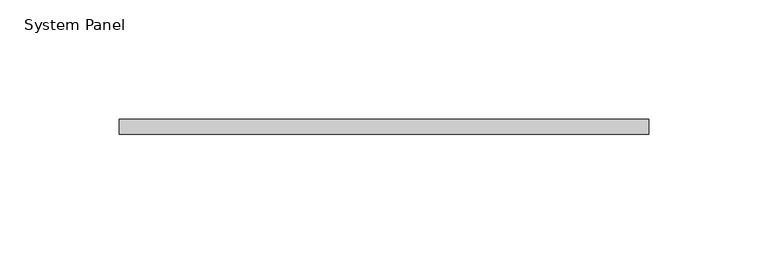
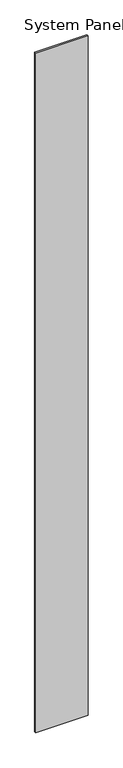
"""IFC4 building model written with IfcOpenShell, lengths in millimetres: plate geometry, System Panel."""

from ifc_helpers import new_model, si_unit, origin, origin_with_axes, place, context, project, spatial, polyline, outline, extrude, source, transform, mapped, element, save


def system_panel_e9584215(model_context):
    return source(origin(), model_context, "Body", "SweptSolid", [
        extrude(outline(polyline([(111.125, 0.0), (-111.125, 0.0), (-111.125, 6.35), (111.125, 6.35), (111.125, 0.0)])), origin_with_axes(), (0.0, 0.0, 1.0), 3048.0),
    ])


if __name__ == "__main__":
    model = new_model("IFC4")
    model_context = context("Model", 3, world=origin())
    ifc_project = project(units=[si_unit("LENGTHUNIT", "METRE", prefix="MILLI")], contexts=[model_context])
    site = spatial("IfcSite", under=ifc_project)
    building = spatial("IfcBuilding", under=site)
    placement = place(None, origin())
    system_panel_shape = system_panel_e9584215(model_context)
    element("IfcPlate", 1, ObjectType="System Panel", at=placement, inside=building, context=model_context, shape_type="MappedRepresentation", body=[
        mapped(system_panel_shape, transform((0.0, 0.0, 0.0), x_axis=(1.0, 0.0, 0.0), y_axis=(0.0, 1.0, 0.0), z_axis=(0.0, 0.0, 1.0))),
    ])
    save(model, "model.ifc")
